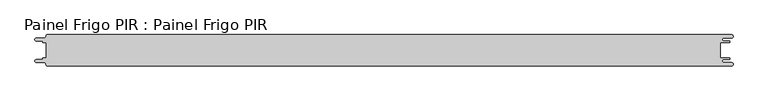
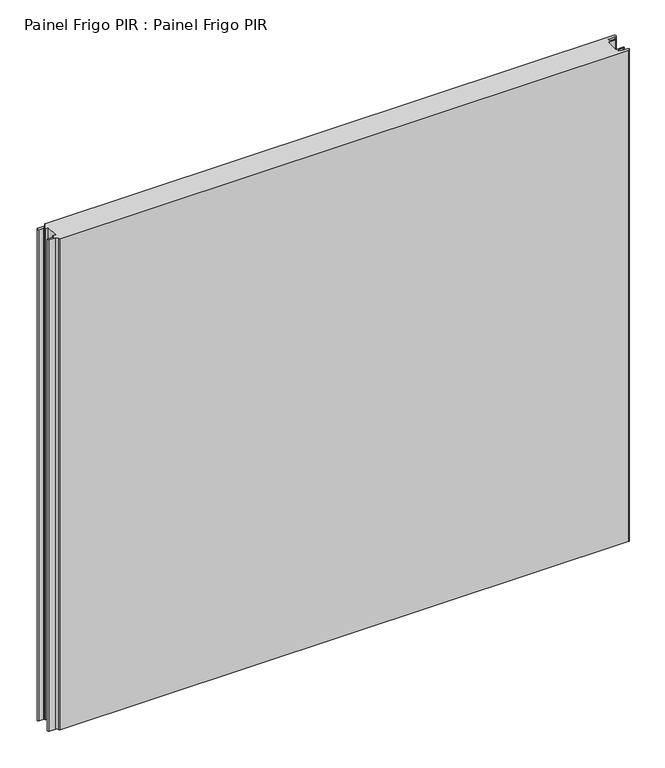
"""IFC4 building model written with IfcOpenShell, lengths in millimetres: proxy geometry, Painel Frigo PIR : Painel Frigo PIR."""

from ifc_helpers import new_model, si_unit, frame, origin, place, context, project, spatial, polyline, circle_curve, source, transform, mapped, element, save
from ifc_brep_helpers import plane_surface, cylinder_surface, revolved_surface, advanced_brep


def painel_frigo_pir_painel_frigo_pir_467dd6fe(model_context):
    return source(origin(), model_context, "Body", "AdvancedBrep", [
        advanced_brep(
        [(-554.5874998, -12.3, 1000.0), (-555.1874998, -12.9, 1000.0), (-555.1874998, -13.7085184, 1000.0), (-556.5875001, -15.1085187, 1000.0), (-565.565625, -15.1085187, 1000.0), (-565.565625, -19.5085185, 1000.0), (-553.55, -19.5085185, 1000.0), (-550.0, -23.0585185, 1000.0), (-548.05, -25.0, 1000.0), (546.89375, -25.0, 1000.0), (546.89375, -19.725, 1000.0), (534.45625, -19.725, 1000.0), (534.45625, -14.875, 1000.0), (543.1187503, -14.875, 1000.0), (543.1187503, -12.3, 1000.0), (529.2687503, -12.3, 1000.0), (529.2687503, 12.3, 1000.0), (543.1187503, 12.3, 1000.0), (543.1187503, 14.875, 1000.0), (534.45625, 14.875, 1000.0), (534.45625, 19.725, 1000.0), (546.89375, 19.725, 1000.0), (546.89375, 25.0, 1000.0), (-548.05, 25.0, 1000.0), (-550.0, 23.05, 1000.0), (-553.55, 19.5085185, 1000.0), (-565.565625, 19.5085185, 1000.0), (-565.565625, 15.1085185, 1000.0), (-556.5875003, 15.1085185, 1000.0), (-555.1875003, 13.7085185, 1000.0), (-555.1875003, 12.9, 1000.0), (-554.5874998, 12.2999995, 1000.0), (-549.2999612, 12.2999995, 1000.0), (-549.2999612, -12.3, 1000.0), (-554.5874998, -12.3, 0.0), (-549.2999612, -12.3, 0.0), (-549.2999612, 12.2999995, 0.0), (-554.5874998, 12.2999995, 0.0), (-555.1875003, 12.9, 0.0), (-555.1875003, 13.7085185, 0.0), (-556.5875003, 15.1085185, 0.0), (-565.565625, 15.1085185, 0.0), (-565.565625, 19.5085185, 0.0), (-553.55, 19.5085185, 0.0), (-550.0, 23.0585185, 0.0), (-548.05, 25.0, 0.0), (546.89375, 25.0, 0.0), (546.89375, 19.725, 0.0), (534.45625, 19.725, 0.0), (534.45625, 14.875, 0.0), (543.1187503, 14.875, 0.0), (543.1187503, 12.3, 0.0), (529.2687503, 12.3, 0.0), (529.2687503, -12.3, 0.0), (543.1187503, -12.3, 0.0), (543.1187503, -14.875, 0.0), (534.45625, -14.875, 0.0), (534.45625, -19.725, 0.0), (546.89375, -19.725, 0.0), (546.89375, -25.0, 0.0), (-548.05, -25.0, 0.0), (-550.0, -23.05, 0.0), (-553.55, -19.5085185, 0.0), (-565.565625, -19.5085185, 0.0), (-565.565625, -15.1085187, 0.0), (-556.5875001, -15.1085187, 0.0), (-555.1874998, -13.7085184, 0.0), (-555.1874998, -12.9, 0.0)],
        [
            (0, 1, circle_curve(frame((-554.5874998, -12.9, 1000.0), z_axis=(0.0, 0.0, 1.0), x_axis=(1.0, 0.0, 0.0)), 0.6)),
            (1, 2),
            (2, 3, circle_curve(frame((-556.5875001, -13.7085184, 1000.0), z_axis=(0.0, 0.0, -1.0), x_axis=(1.0, 0.0, 0.0)), 1.4000003)),
            (3, 4),
            (4, 5, circle_curve(frame((-565.565625, -17.3085186, 1000.0), z_axis=(0.0, 0.0, 1.0), x_axis=(1.0, 0.0, 0.0)), 2.1999999)),
            (5, 6),
            (6, 7, circle_curve(frame((-553.55, -23.0585185, 1000.0), z_axis=(0.0, 0.0, -1.0), x_axis=(1.0, 0.0, 0.0)), 3.55)),
            (7, 8, circle_curve(frame((-548.05, -23.05, 1000.0), z_axis=(0.0, 0.0, 1.0), x_axis=(1.0, 0.0, 0.0)), 1.95)),
            (8, 9),
            (9, 10, circle_curve(frame((546.89375, -22.3625, 1000.0), z_axis=(0.0, 0.0, 1.0), x_axis=(1.0, 0.0, 0.0)), 2.6375)),
            (10, 11),
            (11, 12, circle_curve(frame((534.45625, -17.3, 1000.0), z_axis=(0.0, 0.0, -1.0), x_axis=(1.0, 0.0, 0.0)), 2.425)),
            (12, 13),
            (13, 14, circle_curve(frame((543.1187503, -13.5875, 1000.0), z_axis=(0.0, 0.0, 1.0), x_axis=(1.0, 0.0, 0.0)), 1.2875)),
            (14, 15),
            (15, 16),
            (16, 17),
            (17, 18, circle_curve(frame((543.1187503, 13.5875, 1000.0), z_axis=(0.0, 0.0, 1.0), x_axis=(1.0, 0.0, 0.0)), 1.2875)),
            (18, 19),
            (19, 20, circle_curve(frame((534.45625, 17.3, 1000.0), z_axis=(0.0, 0.0, -1.0), x_axis=(1.0, 0.0, 0.0)), 2.425)),
            (20, 21),
            (21, 22, circle_curve(frame((546.89375, 22.3625, 1000.0), z_axis=(0.0, 0.0, 1.0), x_axis=(1.0, 0.0, 0.0)), 2.6375)),
            (22, 23),
            (23, 24, circle_curve(frame((-548.05, 23.05, 1000.0), z_axis=(0.0, 0.0, 1.0), x_axis=(1.0, 0.0, 0.0)), 1.95)),
            (24, 25, circle_curve(frame((-553.55, 23.0585185, 1000.0), z_axis=(0.0, 0.0, -1.0), x_axis=(1.0, 0.0, 0.0)), 3.55)),
            (25, 26),
            (26, 27, circle_curve(frame((-565.565625, 17.3085185, 1000.0), z_axis=(0.0, 0.0, 1.0), x_axis=(1.0, 0.0, 0.0)), 2.2)),
            (27, 28),
            (28, 29, circle_curve(frame((-556.5875003, 13.7085185, 1000.0), z_axis=(0.0, 0.0, -1.0), x_axis=(1.0, 0.0, 0.0)), 1.4)),
            (29, 30),
            (30, 31, circle_curve(frame((-554.5874998, 12.9, 1000.0), z_axis=(0.0, 0.0, 1.0), x_axis=(1.0, 0.0, 0.0)), 0.6000005)),
            (31, 32),
            (32, 33),
            (33, 0),
            (34, 35),
            (35, 36),
            (36, 37),
            (37, 38, circle_curve(frame((-554.5874998, 12.9, 0.0), z_axis=(0.0, 0.0, -1.0), x_axis=(1.0, 0.0, 0.0)), 0.6000005)),
            (38, 39),
            (39, 40, circle_curve(frame((-556.5875003, 13.7085185, 0.0), z_axis=(0.0, 0.0, 1.0), x_axis=(1.0, 0.0, 0.0)), 1.4)),
            (40, 41),
            (41, 42, circle_curve(frame((-565.565625, 17.3085185, 0.0), z_axis=(0.0, 0.0, -1.0), x_axis=(1.0, 0.0, 0.0)), 2.2)),
            (42, 43),
            (43, 44, circle_curve(frame((-553.55, 23.0585185, 0.0), z_axis=(0.0, 0.0, 1.0), x_axis=(1.0, 0.0, 0.0)), 3.55)),
            (44, 45, circle_curve(frame((-548.05, 23.05, 0.0), z_axis=(0.0, 0.0, -1.0), x_axis=(1.0, 0.0, 0.0)), 1.95)),
            (45, 46),
            (46, 47, circle_curve(frame((546.89375, 22.3625, 0.0), z_axis=(0.0, 0.0, -1.0), x_axis=(1.0, 0.0, 0.0)), 2.6375)),
            (47, 48),
            (48, 49, circle_curve(frame((534.45625, 17.3, 0.0), z_axis=(0.0, 0.0, 1.0), x_axis=(1.0, 0.0, 0.0)), 2.425)),
            (49, 50),
            (50, 51, circle_curve(frame((543.1187503, 13.5875, 0.0), z_axis=(0.0, 0.0, -1.0), x_axis=(1.0, 0.0, 0.0)), 1.2875)),
            (51, 52),
            (52, 53),
            (53, 54),
            (54, 55, circle_curve(frame((543.1187503, -13.5875, 0.0), z_axis=(0.0, 0.0, -1.0), x_axis=(1.0, 0.0, 0.0)), 1.2875)),
            (55, 56),
            (56, 57, circle_curve(frame((534.45625, -17.3, 0.0), z_axis=(0.0, 0.0, 1.0), x_axis=(1.0, 0.0, 0.0)), 2.425)),
            (57, 58),
            (58, 59, circle_curve(frame((546.89375, -22.3625, 0.0), z_axis=(0.0, 0.0, -1.0), x_axis=(1.0, 0.0, 0.0)), 2.6375)),
            (59, 60),
            (60, 61, circle_curve(frame((-548.05, -23.05, 0.0), z_axis=(0.0, 0.0, -1.0), x_axis=(1.0, 0.0, 0.0)), 1.95)),
            (61, 62, circle_curve(frame((-553.55, -23.0585185, 0.0), z_axis=(0.0, 0.0, 1.0), x_axis=(1.0, 0.0, 0.0)), 3.55)),
            (62, 63),
            (63, 64, circle_curve(frame((-565.565625, -17.3085186, 0.0), z_axis=(0.0, 0.0, -1.0), x_axis=(1.0, 0.0, 0.0)), 2.1999999)),
            (64, 65),
            (65, 66, circle_curve(frame((-556.5875001, -13.7085184, 0.0), z_axis=(0.0, 0.0, 1.0), x_axis=(1.0, 0.0, 0.0)), 1.4000003)),
            (66, 67),
            (67, 34, circle_curve(frame((-554.5874998, -12.9, 0.0), z_axis=(0.0, 0.0, -1.0), x_axis=(1.0, 0.0, 0.0)), 0.6)),
            (33, 35),
            (34, 0),
            (32, 36),
            (31, 37),
            (30, 38),
            (29, 39),
            (28, 40),
            (27, 41),
            (26, 42),
            (25, 43),
            (24, 44),
            (23, 45),
            (22, 46),
            (15, 53),
            (52, 16),
            (14, 54),
            (13, 55),
            (12, 56),
            (11, 57),
            (10, 58),
            (9, 59),
            (8, 60),
            (7, 61),
            (6, 62),
            (5, 63),
            (4, 64),
            (3, 65),
            (2, 66),
            (1, 67),
            (21, 47),
            (20, 48),
            (19, 49),
            (18, 50),
            (17, 51),
        ],
        [
            plane_surface(frame((-549.2999612, -12.3, 1000.0), z_axis=(0.0, 0.0, 1.0), x_axis=(1.0, 0.0, 0.0))),
            plane_surface(frame((-549.2999612, -12.3, 0.0), z_axis=(0.0, 0.0, -1.0), x_axis=(-1.0, 0.0, 0.0))),
            plane_surface(frame((-554.5874998, -12.3, 1000.0), z_axis=(0.0, 1.0, 0.0), x_axis=(0.0, 0.0, -1.0))),
            plane_surface(frame((-549.2999612, -12.3, 1000.0), z_axis=(-1.0, 0.0, 0.0), x_axis=(0.0, 0.0, -1.0))),
            plane_surface(frame((-549.2999612, 12.2999995, 1000.0), z_axis=(0.0, -1.0, 0.0), x_axis=(0.0, 0.0, -1.0))),
            cylinder_surface(frame((-554.5874998, 12.9, 0.0), z_axis=(0.0, 0.0, 1.0), x_axis=(1.0, 0.0, 0.0)), 0.6000005),
            plane_surface(frame((-555.1875003, 12.9, 1000.0), z_axis=(-1.0, -1.7578608662329016e-12, 0.0), x_axis=(0.0, 0.0, -1.0))),
            revolved_surface(polyline([(-555.1875003, 13.7085185, 0.0), (-555.1875003, 13.7085185, 1000.0)]), (-556.5875003, 13.7085185, 0.0), (0.0, 0.0, -1.0)),
            plane_surface(frame((-556.5875003, 15.1085185, 1000.0), z_axis=(0.0, -1.0, 0.0), x_axis=(0.0, 0.0, -1.0))),
            cylinder_surface(frame((-565.565625, 17.3085185, 0.0), z_axis=(0.0, 0.0, 1.0), x_axis=(1.0, 0.0, 0.0)), 2.2),
            plane_surface(frame((-565.565625, 19.5085185, 1000.0), z_axis=(0.0, 1.0, 0.0), x_axis=(0.0, 0.0, -1.0))),
            revolved_surface(polyline([(-550.0, 23.0585185, 0.0), (-550.0, 23.0585185, 1000.0)]), (-553.55, 23.0585185, 0.0), (0.0, 0.0, -1.0)),
            cylinder_surface(frame((-548.05, 23.05, 0.0), z_axis=(0.0, 0.0, 1.0), x_axis=(1.0, 0.0, 0.0)), 1.95),
            plane_surface(frame((-548.05, 25.0, 1000.0), z_axis=(0.0, 1.0, 0.0), x_axis=(0.0, 0.0, -1.0))),
            plane_surface(frame((529.2687503, 12.3, 1000.0), z_axis=(1.0, 0.0, 0.0), x_axis=(0.0, 0.0, -1.0))),
            plane_surface(frame((529.2687503, -12.3, 1000.0), z_axis=(0.0, 1.0, 0.0), x_axis=(0.0, 0.0, -1.0))),
            cylinder_surface(frame((543.1187503, -13.5875, 0.0), z_axis=(0.0, 0.0, 1.0), x_axis=(1.0, 0.0, 0.0)), 1.2875),
            plane_surface(frame((543.1187503, -14.875, 1000.0), z_axis=(0.0, -1.0, 0.0), x_axis=(0.0, 0.0, -1.0))),
            revolved_surface(polyline([(536.8812499999999, -17.3, 0.0), (536.8812499999999, -17.3, 1000.0)]), (534.45625, -17.3, 0.0), (0.0, 0.0, -1.0)),
            plane_surface(frame((534.45625, -19.725, 1000.0), z_axis=(0.0, 1.0, 0.0), x_axis=(0.0, 0.0, -1.0))),
            cylinder_surface(frame((546.89375, -22.3625, 0.0), z_axis=(0.0, 0.0, 1.0), x_axis=(1.0, 0.0, 0.0)), 2.6375),
            plane_surface(frame((546.89375, -25.0, 1000.0), z_axis=(0.0, -1.0, 0.0), x_axis=(0.0, 0.0, -1.0))),
            cylinder_surface(frame((-548.05, -23.05, 0.0), z_axis=(0.0, 0.0, 1.0), x_axis=(1.0, 0.0, 0.0)), 1.95),
            revolved_surface(polyline([(-550.0, -23.0585185, 0.0), (-550.0, -23.0585185, 1000.0)]), (-553.55, -23.0585185, 0.0), (0.0, 0.0, -1.0)),
            plane_surface(frame((-553.55, -19.5085185, 1000.0), z_axis=(0.0, -1.0, 0.0), x_axis=(0.0, 0.0, -1.0))),
            cylinder_surface(frame((-565.565625, -17.3085186, 0.0), z_axis=(0.0, 0.0, 1.0), x_axis=(1.0, 0.0, 0.0)), 2.1999999),
            plane_surface(frame((-565.565625, -15.1085187, 1000.0), z_axis=(0.0, 1.0, 0.0), x_axis=(0.0, 0.0, -1.0))),
            revolved_surface(polyline([(-555.1874998000001, -13.7085184, 0.0), (-555.1874998000001, -13.7085184, 1000.0)]), (-556.5875001, -13.7085184, 0.0), (0.0, 0.0, -1.0)),
            plane_surface(frame((-555.1874998, -13.7085184, 1000.0), z_axis=(-1.0, 0.0, 0.0), x_axis=(0.0, 0.0, -1.0))),
            cylinder_surface(frame((-554.5874998, -12.9, 0.0), z_axis=(0.0, 0.0, 1.0), x_axis=(1.0, 0.0, 0.0)), 0.6),
            cylinder_surface(frame((546.89375, 22.3625, 0.0), z_axis=(0.0, 0.0, 1.0), x_axis=(1.0, 0.0, 0.0)), 2.6375),
            plane_surface(frame((546.89375, 19.725, 1000.0), z_axis=(0.0, -1.0, 0.0), x_axis=(0.0, 0.0, -1.0))),
            revolved_surface(polyline([(536.8812499999999, 17.3, 0.0), (536.8812499999999, 17.3, 1000.0)]), (534.45625, 17.3, 0.0), (0.0, 0.0, -1.0)),
            plane_surface(frame((534.45625, 14.875, 1000.0), z_axis=(0.0, 1.0, 0.0), x_axis=(0.0, 0.0, -1.0))),
            cylinder_surface(frame((543.1187503, 13.5875, 0.0), z_axis=(0.0, 0.0, 1.0), x_axis=(1.0, 0.0, 0.0)), 1.2875),
            plane_surface(frame((543.1187503, 12.3, 1000.0), z_axis=(0.0, -1.0, 0.0), x_axis=(0.0, 0.0, -1.0))),
        ],
        [
            (0, [[1, 2, 3, 4, 5, 6, 7, 8, 9, 10, 11, 12, 13, 14, 15, 16, 17, 18, 19, 20, 21, 22, 23, 24, 25, 26, 27, 28, 29, 30, 31, 32, 33, 34]]),
            (1, [[35, 36, 37, 38, 39, 40, 41, 42, 43, 44, 45, 46, 47, 48, 49, 50, 51, 52, 53, 54, 55, 56, 57, 58, 59, 60, 61, 62, 63, 64, 65, 66, 67, 68]]),
            (2, [[69, -35, 70, -34]]),
            (3, [[71, -36, -69, -33]]),
            (4, [[72, -37, -71, -32]]),
            (5, [[73, -38, -72, -31]]),
            (6, [[74, -39, -73, -30]]),
            (7, [[75, -40, -74, -29]]),
            (8, [[76, -41, -75, -28]]),
            (9, [[77, -42, -76, -27]]),
            (10, [[78, -43, -77, -26]]),
            (11, [[79, -44, -78, -25]]),
            (12, [[80, -45, -79, -24]]),
            (13, [[81, -46, -80, -23]]),
            (14, [[82, -53, 83, -16]]),
            (15, [[84, -54, -82, -15]]),
            (16, [[85, -55, -84, -14]]),
            (17, [[86, -56, -85, -13]]),
            (18, [[87, -57, -86, -12]]),
            (19, [[88, -58, -87, -11]]),
            (20, [[89, -59, -88, -10]]),
            (21, [[90, -60, -89, -9]]),
            (22, [[91, -61, -90, -8]]),
            (23, [[92, -62, -91, -7]]),
            (24, [[93, -63, -92, -6]]),
            (25, [[94, -64, -93, -5]]),
            (26, [[95, -65, -94, -4]]),
            (27, [[96, -66, -95, -3]]),
            (28, [[97, -67, -96, -2]]),
            (29, [[-70, -68, -97, -1]]),
            (30, [[98, -47, -81, -22]]),
            (31, [[99, -48, -98, -21]]),
            (32, [[100, -49, -99, -20]]),
            (33, [[101, -50, -100, -19]]),
            (34, [[102, -51, -101, -18]]),
            (35, [[-83, -52, -102, -17]]),
        ],
    ),
    ])


if __name__ == "__main__":
    model = new_model("IFC4")
    model_context = context("Model", 3, world=origin())
    ifc_project = project(units=[si_unit("LENGTHUNIT", "METRE", prefix="MILLI")], contexts=[model_context])
    site = spatial("IfcSite", under=ifc_project)
    building = spatial("IfcBuilding", under=site)
    placement = place(None, origin())
    painel_frigo_pir_painel_frigo_pir_shape = painel_frigo_pir_painel_frigo_pir_467dd6fe(model_context)
    element("IfcBuildingElementProxy", 1, Name="Painel Frigo PIR : Painel Frigo PIR", ObjectType="Painel Frigo PIR : Painel Frigo PIR", at=placement, inside=building, context=model_context, shape_type="MappedRepresentation", body=[
        mapped(painel_frigo_pir_painel_frigo_pir_shape, transform((0.0, 0.0, 0.0), x_axis=(1.0, 0.0, 0.0), y_axis=(0.0, 1.0, 0.0), z_axis=(0.0, 0.0, 1.0))),
    ])
    save(model, "model.ifc")
